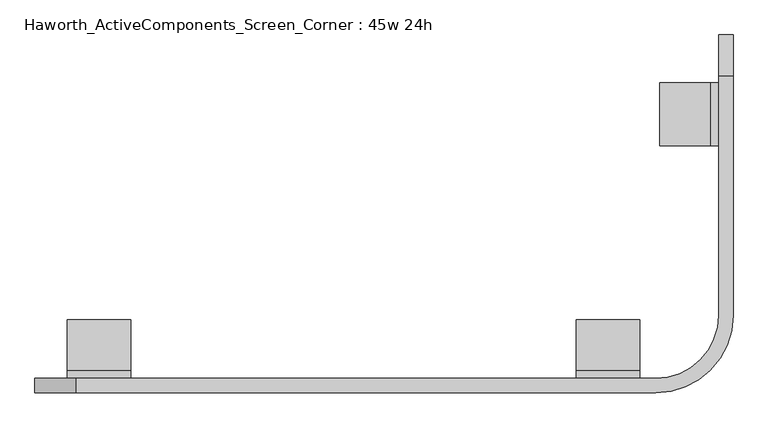
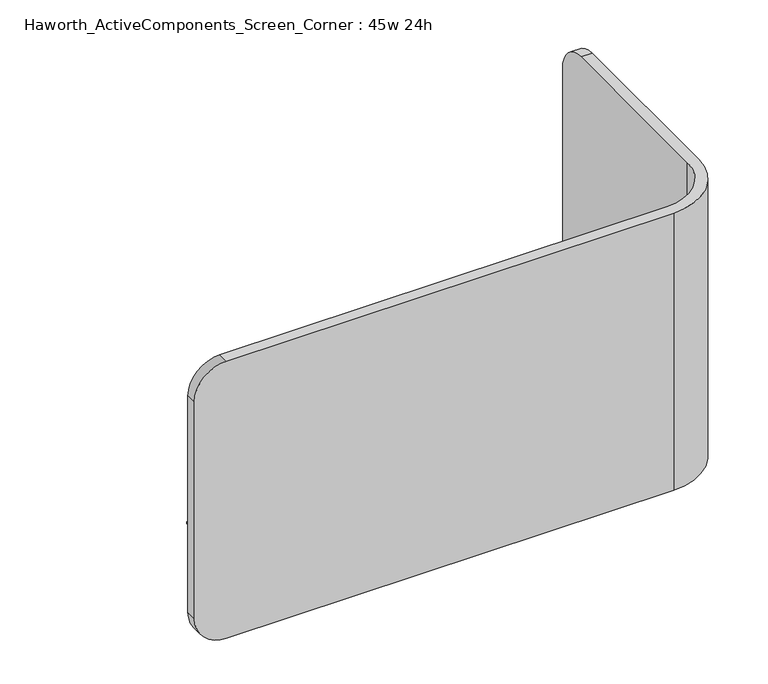
"""IFC4 building model written with IfcOpenShell, lengths in millimetres: furniture geometry, Haworth_ActiveComponents_Screen_Corner : 45w 24h."""

from ifc_helpers import new_model, si_unit, point, frame, frame_2d, origin, place, context, project, spatial, polyline, circle_curve, trimmed, segment, composite_curve, outline, extrude, source, transform, mapped, element, save
from ifc_brep_helpers import plane_surface, cylinder_surface, revolved_surface, advanced_brep


def haworth_activecomponents_screen_corner_45w_24h_eec11e55(model_context):
    return source(origin(), model_context, "Body", "SolidModel", [
        advanced_brep(
        [(213.51875, -158.2277734, 1289.05), (-715.9625, -158.2277734, 1289.05), (-715.9625, -181.2465234, 1289.05), (214.3125, -181.2465234, 1289.05), (338.1375, -57.4215234, 1289.05), (338.1375, 326.5026391, 1289.05), (315.11875, 326.5026391, 1289.05), (315.11875, -56.6277734, 1289.05), (214.3125, -181.2465234, 679.45), (-715.9625, -181.2465234, 679.45), (-715.9625, -158.2277734, 679.45), (213.51875, -158.2277734, 679.45), (315.11875, -56.6277734, 679.45), (315.11875, 326.5026391, 679.45), (338.1375, 326.5026391, 679.45), (338.1375, -57.4215234, 679.45), (-782.6375, -181.2465234, 1222.375), (-782.6375, -181.2465234, 746.125), (-782.6375, -158.2277734, 1222.375), (-782.6375, -158.2277734, 746.125), (315.11875, 393.1776391, 1222.375), (315.11875, 393.1776391, 746.125), (338.1375, 393.1776391, 1222.375), (338.1375, 393.1776391, 746.125)],
        [
            (0, 1),
            (1, 2),
            (2, 3),
            (3, 4, circle_curve(frame((214.3125, -57.4215234, 1289.05), z_axis=(0.0, 0.0, 1.0), x_axis=(1.0, 0.0, 0.0)), 123.825)),
            (4, 5),
            (5, 6),
            (6, 7),
            (7, 0, circle_curve(frame((213.51875, -56.6277734, 1289.05), z_axis=(0.0, 0.0, -1.0), x_axis=(1.0, 0.0, 0.0)), 101.6)),
            (8, 9),
            (9, 10),
            (10, 11),
            (11, 12, circle_curve(frame((213.51875, -56.6277734, 679.45), z_axis=(0.0, 0.0, 1.0), x_axis=(1.0, 0.0, 0.0)), 101.6)),
            (12, 13),
            (13, 14),
            (14, 15),
            (15, 8, circle_curve(frame((214.3125, -57.4215234, 679.45), z_axis=(0.0, 0.0, -1.0), x_axis=(1.0, 0.0, 0.0)), 123.825)),
            (2, 16, circle_curve(frame((-715.9625, -181.2465234, 1222.375), z_axis=(0.0, -1.0, 0.0), x_axis=(0.0, 0.0, -1.0)), 66.675)),
            (16, 17),
            (17, 9, circle_curve(frame((-715.9625, -181.2465234, 746.125), z_axis=(0.0, -1.0, 0.0), x_axis=(0.0, 0.0, -1.0)), 66.675)),
            (8, 3),
            (16, 18),
            (18, 19),
            (19, 17),
            (10, 19, circle_curve(frame((-715.9625, -158.2277734, 746.125), z_axis=(0.0, 1.0, 0.0), x_axis=(0.0, 0.0, -1.0)), 66.675)),
            (18, 1, circle_curve(frame((-715.9625, -158.2277734, 1222.375), z_axis=(0.0, 1.0, 0.0), x_axis=(0.0, 0.0, -1.0)), 66.675)),
            (0, 11),
            (7, 12),
            (6, 20, circle_curve(frame((315.11875, 326.5026391, 1222.375), z_axis=(-1.0, 0.0, 0.0), x_axis=(0.0, -1.0, 0.0)), 66.675)),
            (20, 21),
            (21, 13, circle_curve(frame((315.11875, 326.5026391, 746.125), z_axis=(-1.0, 0.0, 0.0), x_axis=(0.0, -1.0, 0.0)), 66.675)),
            (20, 22),
            (22, 23),
            (23, 21),
            (14, 23, circle_curve(frame((338.1375, 326.5026391, 746.125), z_axis=(1.0, 0.0, 0.0), x_axis=(0.0, -1.0, 0.0)), 66.675)),
            (22, 5, circle_curve(frame((338.1375, 326.5026391, 1222.375), z_axis=(1.0, 0.0, 0.0), x_axis=(0.0, -1.0, 0.0)), 66.675)),
            (4, 15),
        ],
        [
            plane_surface(frame((-782.6375, -181.2465234, 1289.05), z_axis=(0.0, 0.0, 1.0), x_axis=(-1.0, 0.0, 0.0))),
            plane_surface(frame((-782.6375, -181.2465234, 679.45), z_axis=(0.0, 0.0, -1.0), x_axis=(1.0, 0.0, 0.0))),
            plane_surface(frame((214.3125, -181.2465234, 1289.05), z_axis=(0.0, -1.0, 0.0), x_axis=(0.0, 0.0, -1.0))),
            plane_surface(frame((-782.6375, -181.2465234, 1289.05), z_axis=(-1.0, 0.0, 0.0), x_axis=(0.0, 0.0, -1.0))),
            plane_surface(frame((-782.6375, -158.2277734, 1289.05), z_axis=(0.0, 1.0, 0.0), x_axis=(0.0, 0.0, -1.0))),
            revolved_surface(polyline([(315.11875, -56.6277734, 679.45), (315.11875, -56.6277734, 1289.05)]), (213.51875, -56.6277734, 679.45), (0.0, 0.0, -1.0)),
            plane_surface(frame((315.11875, -56.6277734, 1289.05), z_axis=(-1.0, 0.0, 0.0), x_axis=(0.0, 0.0, -1.0))),
            plane_surface(frame((315.11875, 393.1776391, 1289.05), z_axis=(0.0, 1.0, 0.0), x_axis=(0.0, 0.0, -1.0))),
            plane_surface(frame((338.1375, 393.1776391, 1289.05), z_axis=(1.0, 0.0, 0.0), x_axis=(0.0, 0.0, -1.0))),
            cylinder_surface(frame((214.3125, -57.4215234, 679.45), z_axis=(0.0, 0.0, 1.0), x_axis=(1.0, 0.0, 0.0)), 123.825),
            cylinder_surface(frame((254.8455077, 326.5026391, 1222.375), z_axis=(-1.0, 0.0, 0.0), x_axis=(0.0, -1.0, 0.0)), 66.675),
            cylinder_surface(frame((-222.25, 326.5026391, 746.125), z_axis=(-1.0, 0.0, 0.0), x_axis=(0.0, -1.0, 0.0)), 66.675),
            cylinder_surface(frame((-715.9625, -114.7614853, 1222.375), z_axis=(0.0, 1.0, 0.0), x_axis=(0.0, 0.0, -1.0)), 66.675),
            cylinder_surface(frame((-715.9625, -169.7371484, 746.125), z_axis=(0.0, 1.0, 0.0), x_axis=(0.0, 0.0, -1.0)), 66.675),
        ],
        [
            (0, [[1, 2, 3, 4, 5, 6, 7, 8]]),
            (1, [[9, 10, 11, 12, 13, 14, 15, 16]]),
            (2, [[-3, 17, 18, 19, -9, 20]]),
            (3, [[21, 22, 23, -18]]),
            (4, [[-11, 24, -22, 25, -1, 26]]),
            (5, [[27, -12, -26, -8]]),
            (6, [[-7, 28, 29, 30, -13, -27]]),
            (7, [[31, 32, 33, -29]]),
            (8, [[-15, 34, -32, 35, -5, 36]]),
            (9, [[-20, -16, -36, -4]]),
            (10, [[-35, -31, -28, -6]]),
            (11, [[-30, -33, -34, -14]]),
            (12, [[-25, -21, -17, -2]]),
            (13, [[-19, -23, -24, -10]]),
        ],
    ),
        extrude(outline(composite_curve([segment(polyline([(869.95, 301.5360682), (869.95, 220.7640714), (865.3780407, 220.7640714), (865.3780407, 301.5360438)]), True, "CONTINUOUS"), segment(trimmed(circle_curve(frame_2d((852.6780165, 301.5360438)), 12.7000242), [point((865.3780407, 301.5360438))], [point((852.6780165, 314.236068))], True, "CARTESIAN"), True, "CONTINUOUS"), segment(polyline([(852.6780165, 314.236068), (783.3360281, 314.236068), (783.3360281, 318.8080688), (852.6779994, 318.8080688)]), True, "CONTINUOUS"), segment(trimmed(circle_curve(frame_2d((852.6779994, 301.5360682)), 17.2720006), [point((852.6779994, 318.8080688))], [point((869.95, 301.5360682))], False, "CARTESIAN"), True, "CONTINUOUS")], self_intersect=False)), frame((0.0, 215.1542059, 0.0), z_axis=(0.0, 1.0, 0.0), x_axis=(0.0, 0.0, 1.0)), (0.0, 0.0, 1.0), 101.6000484),
        extrude(outline(composite_curve([segment(polyline([(-144.7943486, 869.95), (-64.0223518, 869.95), (-64.0223518, 865.3780407), (-144.7943242, 865.3780407)]), True, "CONTINUOUS"), segment(trimmed(circle_curve(frame_2d((-144.7943242, 852.6780165)), 12.7000242), [point((-144.7943242, 865.3780407))], [point((-157.4943484, 852.6780165))], True, "CARTESIAN"), True, "CONTINUOUS"), segment(polyline([(-157.4943484, 852.6780165), (-157.4943484, 783.3360281), (-162.0663492, 783.3360281), (-162.0663492, 852.6779994)]), True, "CONTINUOUS"), segment(trimmed(circle_curve(frame_2d((-144.7943486, 852.6779994)), 17.2720006), [point((-162.0663492, 852.6779994))], [point((-144.7943486, 869.95))], False, "CARTESIAN"), True, "CONTINUOUS")], self_intersect=False)), frame((-730.5932203, 0.0, 0.0), z_axis=(1.0, 0.0, 0.0), x_axis=(0.0, 1.0, 0.0)), (0.0, 0.0, 1.0), 101.6000484),
        extrude(outline(composite_curve([segment(polyline([(-144.7943486, 869.95), (-64.0223518, 869.95), (-64.0223518, 865.3780407), (-144.7943242, 865.3780407)]), True, "CONTINUOUS"), segment(trimmed(circle_curve(frame_2d((-144.7943242, 852.6780165)), 12.7000242), [point((-144.7943242, 865.3780407))], [point((-157.4943484, 852.6780165))], True, "CARTESIAN"), True, "CONTINUOUS"), segment(polyline([(-157.4943484, 852.6780165), (-157.4943484, 783.3360281), (-162.0663492, 783.3360281), (-162.0663492, 852.6779994)]), True, "CONTINUOUS"), segment(trimmed(circle_curve(frame_2d((-144.7943486, 852.6779994)), 17.2720006), [point((-162.0663492, 852.6779994))], [point((-144.7943486, 869.95))], False, "CARTESIAN"), True, "CONTINUOUS")], self_intersect=False)), frame((86.3873082, 0.0, 0.0), z_axis=(1.0, 0.0, 0.0), x_axis=(0.0, 1.0, 0.0)), (0.0, 0.0, 1.0), 101.600003),
    ])


if __name__ == "__main__":
    model = new_model("IFC4")
    model_context = context("Model", 3, world=origin())
    ifc_project = project(units=[si_unit("LENGTHUNIT", "METRE", prefix="MILLI")], contexts=[model_context])
    site = spatial("IfcSite", under=ifc_project)
    building = spatial("IfcBuilding", under=site)
    placement = place(None, origin())
    haworth_activecomponents_screen_corner_45w_24h_shape = haworth_activecomponents_screen_corner_45w_24h_eec11e55(model_context)
    element("IfcFurniture", 1, ObjectType="Haworth_ActiveComponents_Screen_Corner : 45w 24h", at=placement, inside=building, context=model_context, shape_type="MappedRepresentation", body=[
        mapped(haworth_activecomponents_screen_corner_45w_24h_shape, transform((0.0, 0.0, 0.0), x_axis=(1.0, 0.0, 0.0), y_axis=(0.0, 1.0, 0.0), z_axis=(0.0, 0.0, 1.0))),
    ])
    save(model, "model.ifc")
